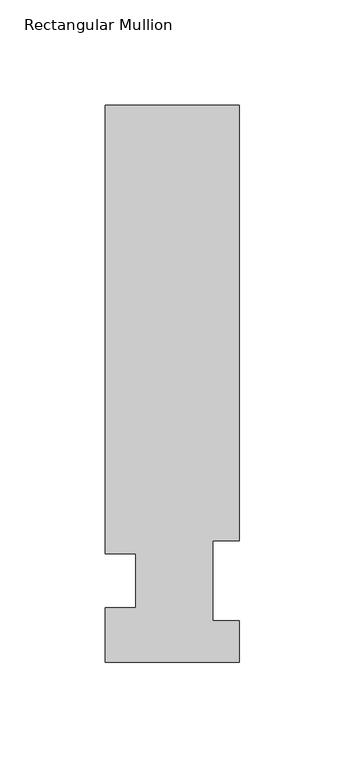
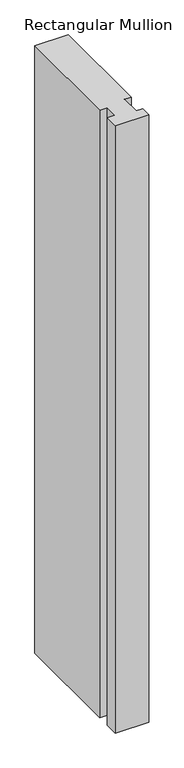
"""IFC4 building model written with IfcOpenShell, lengths in millimetres: member geometry, Rectangular Mullion."""

from ifc_helpers import new_model, si_unit, frame, origin, place, context, project, spatial, polyline, outline, extrude, source, transform, mapped, element, save


def rectangular_mullion_e98e1085(model_context):
    return source(origin(), model_context, "Body", "SweptSolid", [
        extrude(outline(polyline([(-31.75, 264.0210938), (31.75, 264.0210938), (31.75, 57.6460937), (19.05, 57.6460937), (19.05, 19.5460938), (31.75, 19.5460938), (31.75, 0.0134938), (-31.75, 0.0134938), (-31.75, 25.8960938), (-17.4625, 25.8960938), (-17.4625, 51.2960938), (-31.75, 51.2960938), (-31.75, 264.0210938)])), frame((0.0, 0.0, -1219.2), z_axis=(0.0, 0.0, 1.0), x_axis=(1.0, 0.0, 0.0)), (0.0, 0.0, 1.0), 1219.2),
    ])


if __name__ == "__main__":
    model = new_model("IFC4")
    model_context = context("Model", 3, world=origin())
    ifc_project = project(units=[si_unit("LENGTHUNIT", "METRE", prefix="MILLI")], contexts=[model_context])
    site = spatial("IfcSite", under=ifc_project)
    building = spatial("IfcBuilding", under=site)
    placement = place(None, origin())
    rectangular_mullion_shape = rectangular_mullion_e98e1085(model_context)
    element("IfcMember", 1, ObjectType="Rectangular Mullion", at=placement, inside=building, context=model_context, shape_type="MappedRepresentation", body=[
        mapped(rectangular_mullion_shape, transform((0.0, 0.0, 0.0), x_axis=(1.0, 0.0, 0.0), y_axis=(0.0, 1.0, 0.0), z_axis=(0.0, 0.0, 1.0))),
    ])
    save(model, "model.ifc")
